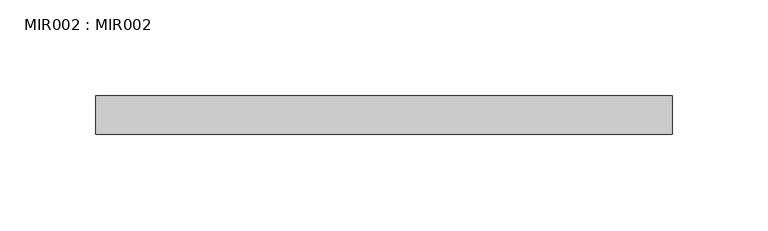
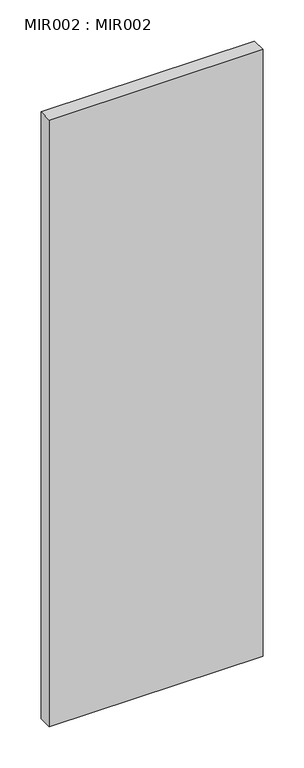
"""IFC4 building model written with IfcOpenShell, lengths in millimetres: proxy geometry, MIR002 : MIR002."""

import ifcopenshell
import ifcopenshell.guid

model = None  # the IFC model being written
_history = None  # IfcOwnerHistory: only IFC2X3 demands one
_inside = {}  # id of a spatial element -> (the spatial element, [elements in it])
_under = {}  # id of a project, library or spatial element -> (it, [spatial elements below it])
_declared = {}  # id of a project -> (the project, [libraries it declares])
_typed = {}  # id of a type object -> (the type object, [elements of that type])
_made_of = {}  # id of a material, layer set ... -> (it, [elements and type objects made of it])


def new_model(schema):
    """Start an empty IFC model of exactly this schema.

    Asked for "IFC4X3", IfcOpenShell would pick the latest addendum, in which some entities
    have other attributes; the version numbers below select the first issue.
    IFC2X3 requires an IfcOwnerHistory on every rooted entity: one is made here for all.
    """
    global model, _history
    if schema == "IFC4X3":
        model = ifcopenshell.file(schema_version=(4, 3, 0, 0))
    else:
        model = ifcopenshell.file(schema=schema)
    _inside.clear()
    _under.clear()
    _declared.clear()
    _typed.clear()
    _made_of.clear()
    _history = None
    if model.schema == "IFC2X3":
        org = make("IfcOrganization", Name="unknown")
        user = make(
            "IfcPersonAndOrganization",
            ThePerson=make("IfcPerson", FamilyName="unknown"),
            TheOrganization=org,
        )
        app = make(
            "IfcApplication",
            ApplicationDeveloper=org,
            Version="unknown",
            ApplicationFullName="unknown",
            ApplicationIdentifier="unknown",
        )
        _history = make(
            "IfcOwnerHistory",
            OwningUser=user,
            OwningApplication=app,
            ChangeAction="ADDED",
            CreationDate=0,
        )
    return model


def make(cls, **values):
    """One entity of the class cls with the attributes given. An attribute that is None is left unset."""
    return model.create_entity(
        cls, **{name: value for name, value in values.items() if value is not None}
    )


def rooted(cls, **values):
    """An entity with a GlobalId (a new one), such as an element, a storey or a relation."""
    return make(cls, GlobalId=ifcopenshell.guid.new(), OwnerHistory=_history, **values)


def si_unit(unit_type, name, prefix=None):
    """IfcSIUnit, for example si_unit("LENGTHUNIT", "METRE", prefix="MILLI")."""
    return make("IfcSIUnit", UnitType=unit_type, Prefix=prefix, Name=name)


def assignment(units):
    """IfcUnitAssignment: the units of a project."""
    return None if units is None else make("IfcUnitAssignment", Units=units)


def point(xyz):
    """IfcCartesianPoint."""
    return None if xyz is None else make("IfcCartesianPoint", Coordinates=xyz)


def direction(xyz):
    """IfcDirection."""
    return None if xyz is None else make("IfcDirection", DirectionRatios=xyz)


def frame(location, z_axis=None, x_axis=None):
    """IfcAxis2Placement3D, a coordinate frame: its origin and axes. An axis left out is left unset."""
    return make(
        "IfcAxis2Placement3D",
        Location=point(location),
        Axis=direction(z_axis),
        RefDirection=direction(x_axis),
    )


def origin():
    """The frame at (0, 0, 0) with its axes left unset."""
    return frame((0.0, 0.0, 0.0))


def origin_with_axes():
    """The frame at (0, 0, 0) with the z axis (0, 0, 1) and the x axis (1, 0, 0) written out."""
    return frame((0.0, 0.0, 0.0), z_axis=(0.0, 0.0, 1.0), x_axis=(1.0, 0.0, 0.0))


def place(relative_to, where):
    """IfcLocalPlacement: puts the frame where relative to a parent placement (None: the world)."""
    return make(
        "IfcLocalPlacement", PlacementRelTo=relative_to, RelativePlacement=where
    )


def context(
    kind, dimensions, precision=None, world=None, true_north=None, identifier=None
):
    """IfcGeometricRepresentationContext, for example the 3D "Model" context."""
    return make(
        "IfcGeometricRepresentationContext",
        ContextIdentifier=identifier,
        ContextType=kind,
        CoordinateSpaceDimension=dimensions,
        Precision=precision,
        WorldCoordinateSystem=world,
        TrueNorth=true_north,
    )


def project(units=None, contexts=None):
    """IfcProject with its units and contexts."""
    return rooted(
        "IfcProject",
        Name="project",
        RepresentationContexts=contexts,
        UnitsInContext=assignment(units),
    )


def spatial(cls, under=None, at=None, **own):
    """A site, building, storey or space (cls), placed at a placement, below another one or the project."""
    s = rooted(cls, ObjectPlacement=at, **own)
    if under is not None:
        _under.setdefault(under.id(), (under, []))[1].append(s)
    return s


def polyline(points):
    """IfcPolyline through the points."""
    return make("IfcPolyline", Points=[point(p) for p in points])


def outline(outer, holes=None, kind="AREA"):
    """IfcArbitraryClosedProfileDef: a profile drawn as a closed curve; with holes, ...WithVoids."""
    if holes is None:
        return make("IfcArbitraryClosedProfileDef", ProfileType=kind, OuterCurve=outer)
    return make(
        "IfcArbitraryProfileDefWithVoids",
        ProfileType=kind,
        OuterCurve=outer,
        InnerCurves=holes,
    )


def extrude(swept, where, along, depth):
    """IfcExtrudedAreaSolid: the profile swept, set in the frame where, extruded along a direction by depth."""
    return make(
        "IfcExtrudedAreaSolid",
        SweptArea=swept,
        Position=where,
        ExtrudedDirection=direction(along),
        Depth=depth,
    )


def shape(context_of_items, identifier, shape_type, items):
    """IfcShapeRepresentation: the items that make up one representation, for example the "Body"."""
    return make(
        "IfcShapeRepresentation",
        ContextOfItems=context_of_items,
        RepresentationIdentifier=identifier,
        RepresentationType=shape_type,
        Items=items,
    )


def source(mapping_origin, context_of_items, identifier, shape_type, items):
    """IfcRepresentationMap: a shape defined once, which mapped items show again and again."""
    return make(
        "IfcRepresentationMap",
        MappingOrigin=mapping_origin,
        MappedRepresentation=shape(context_of_items, identifier, shape_type, items),
    )


def transform(
    local_origin,
    x_axis=None,
    y_axis=None,
    z_axis=None,
    scale=None,
    scale2=None,
    scale3=None,
    uniform=True,
):
    """IfcCartesianTransformationOperator3D, or its non-uniform kind. x_axis, y_axis, z_axis: its Axis1, 2, 3."""
    if uniform:
        return make(
            "IfcCartesianTransformationOperator3D",
            Axis1=direction(x_axis),
            Axis2=direction(y_axis),
            LocalOrigin=point(local_origin),
            Scale=scale,
            Axis3=direction(z_axis),
        )
    return make(
        "IfcCartesianTransformationOperator3DnonUniform",
        Axis1=direction(x_axis),
        Axis2=direction(y_axis),
        LocalOrigin=point(local_origin),
        Scale=scale,
        Axis3=direction(z_axis),
        Scale2=scale2,
        Scale3=scale3,
    )


def mapped(mapping_source, mapping_target):
    """IfcMappedItem: shows the shape of a source again, moved by a transform."""
    return make(
        "IfcMappedItem", MappingSource=mapping_source, MappingTarget=mapping_target
    )


def made_of(thing, what):
    """Note that an element or type object is made of a material, layer set ...; save() writes the relation."""
    if what is not None:
        _made_of.setdefault(what.id(), (what, []))[1].append(thing)
    return thing


def element(
    cls,
    number,
    at=None,
    inside=None,
    cuts=None,
    type_object=None,
    material=None,
    context=None,
    identifier="Body",
    shape_type=None,
    held_by="IfcProductDefinitionShape",
    body=None,
    shapes=None,
    **own,
):
    """One element of the class cls, such as IfcWall. Its Tag is "e" and its number.

    at: its placement. inside: the storey or other place that contains it. cuts: it is an
    opening in that element (IfcRelVoidsElement). A single representation is given by context,
    identifier, shape_type and body (its items); several are given by shapes. held_by: the class
    of the entity that holds the representations. save() writes the other relations.
    """
    e = rooted(cls, Tag="e%d" % number, ObjectPlacement=at, **own)
    if body is not None:
        shapes = [shape(context, identifier, shape_type, body)]
    if shapes is not None:
        e.Representation = make(held_by, Representations=shapes)
    if inside is not None:
        _inside.setdefault(inside.id(), (inside, []))[1].append(e)
    if cuts is not None:
        rooted(
            "IfcRelVoidsElement", RelatingBuildingElement=cuts, RelatedOpeningElement=e
        )
    if type_object is not None:
        _typed.setdefault(type_object.id(), (type_object, []))[1].append(e)
    return made_of(e, material)


def aggregate(whole, parts):
    """IfcRelAggregates: a whole, such as a stair, and the parts it consists of."""
    return rooted("IfcRelAggregates", RelatingObject=whole, RelatedObjects=parts)


def save(model, path):
    """Write the relations noted so far, then the file.

    IfcRelAggregates (storeys below a building ...), IfcRelContainedInSpatialStructure (elements
    in a storey), IfcRelDefinesByType, IfcRelAssociatesMaterial and IfcRelDeclares: one each for
    every whole, place, type object, material and project.
    """
    for whole, parts in _under.values():
        aggregate(whole, parts)
    for where, things in _inside.values():
        rooted(
            "IfcRelContainedInSpatialStructure",
            RelatedElements=things,
            RelatingStructure=where,
        )
    for kind, things in _typed.values():
        rooted("IfcRelDefinesByType", RelatedObjects=things, RelatingType=kind)
    for what, things in _made_of.values():
        rooted("IfcRelAssociatesMaterial", RelatedObjects=things, RelatingMaterial=what)
    for by, libraries in _declared.values():
        rooted("IfcRelDeclares", RelatingContext=by, RelatedDefinitions=libraries)
    model.write(path)


def mir002_mir002_eeb34a7e(model_context):
    return source(origin(), model_context, "Body", "SweptSolid", [
        extrude(outline(polyline([(300.0000023, 0.0), (300.0000023, -20.0000011), (0.0, -20.0000011), (0.0, 0.0), (300.0000023, 0.0)])), origin_with_axes(), (0.0, 0.0, 1.0), 900.0000069),
    ])


if __name__ == "__main__":
    model = new_model("IFC4")
    model_context = context("Model", 3, world=origin())
    ifc_project = project(units=[si_unit("LENGTHUNIT", "METRE", prefix="MILLI")], contexts=[model_context])
    site = spatial("IfcSite", under=ifc_project)
    building = spatial("IfcBuilding", under=site)
    placement = place(None, origin())
    mir002_mir002_shape = mir002_mir002_eeb34a7e(model_context)
    element("IfcBuildingElementProxy", 1, Name="MIR002 : MIR002", ObjectType="MIR002 : MIR002", at=placement, inside=building, context=model_context, shape_type="MappedRepresentation", body=[
        mapped(mir002_mir002_shape, transform((0.0, 0.0, 0.0), x_axis=(1.0, 0.0, 0.0), y_axis=(0.0, 1.0, 0.0), z_axis=(0.0, 0.0, 1.0))),
    ])
    save(model, "model.ifc")
